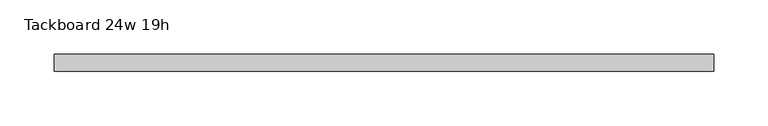
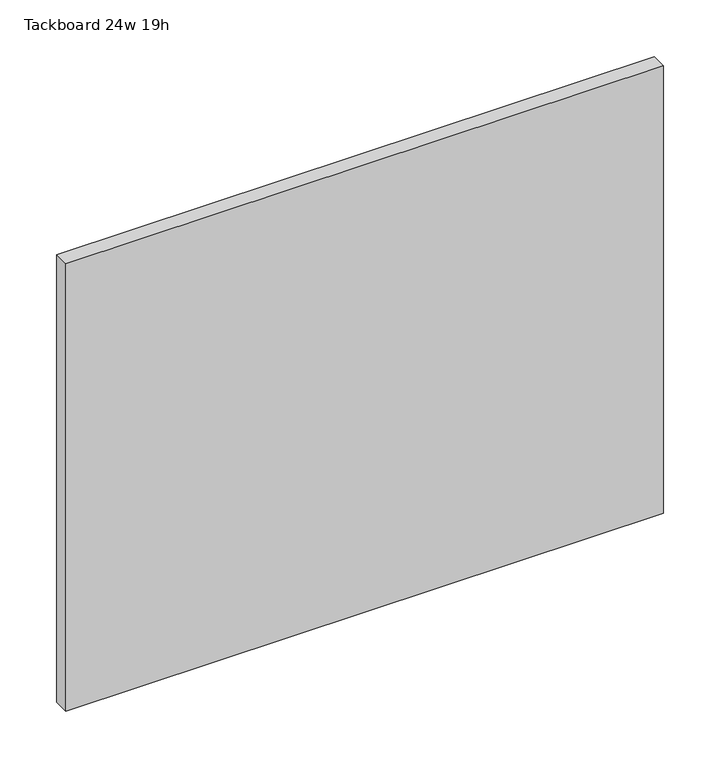
"""IFC4 building model written with IfcOpenShell, lengths in millimetres: furniture geometry, Tackboard 24w 19h."""

from ifc_helpers import new_model, si_unit, frame, origin, place, context, project, spatial, polyline, outline, extrude, source, transform, mapped, element, save


def tackboard_24w_19h_eea99afa(model_context):
    return source(origin(), model_context, "Body", "SweptSolid", [
        extrude(outline(polyline([(307.2402902, -28.8968594), (-302.3597098, -28.8968594), (-302.3597098, -13.0218594), (307.2402902, -13.0218594), (307.2402902, -28.8968594)])), frame((0.0, 0.0, 1066.8), z_axis=(0.0, 0.0, 1.0), x_axis=(1.0, 0.0, 0.0)), (0.0, 0.0, 1.0), 482.6),
    ])


if __name__ == "__main__":
    model = new_model("IFC4")
    model_context = context("Model", 3, world=origin())
    ifc_project = project(units=[si_unit("LENGTHUNIT", "METRE", prefix="MILLI")], contexts=[model_context])
    site = spatial("IfcSite", under=ifc_project)
    building = spatial("IfcBuilding", under=site)
    placement = place(None, origin())
    tackboard_24w_19h_shape = tackboard_24w_19h_eea99afa(model_context)
    element("IfcFurniture", 1, ObjectType="Tackboard 24w 19h", at=placement, inside=building, context=model_context, shape_type="MappedRepresentation", body=[
        mapped(tackboard_24w_19h_shape, transform((0.0, 0.0, 0.0), x_axis=(1.0, 0.0, 0.0), y_axis=(0.0, 1.0, 0.0), z_axis=(0.0, 0.0, 1.0))),
    ])
    save(model, "model.ifc")
